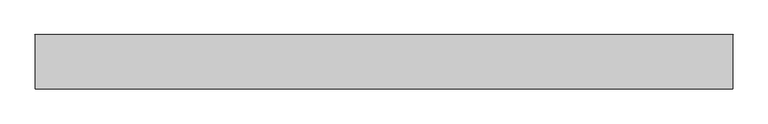
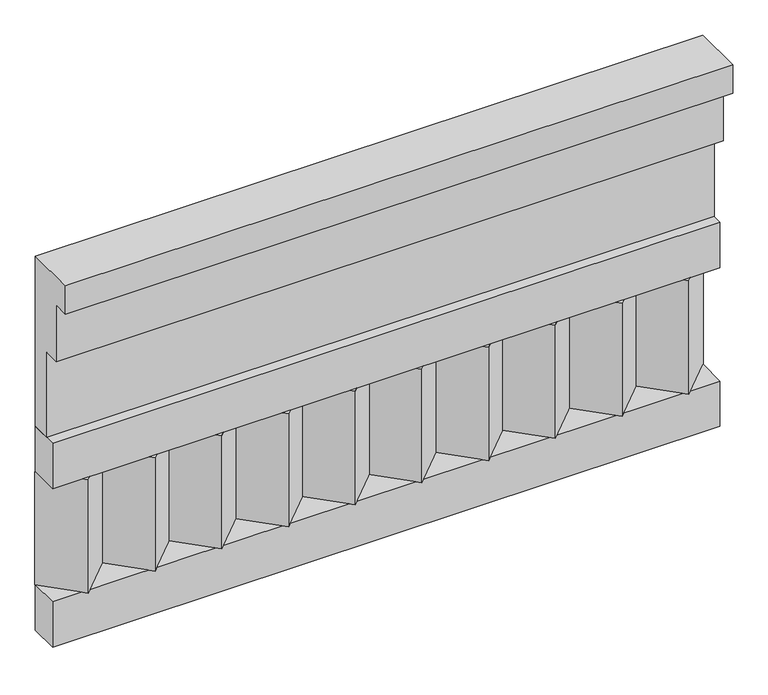
"""IFC4 building model written with IfcOpenShell, lengths in millimetres: railing geometry."""

from ifc_helpers import new_model, si_unit, frame, origin, place, context, project, spatial, polyline, outline, extrude, source, transform, mapped, element, save


def railing_23709b02(model_context):
    return source(origin(), model_context, "Body", "SweptSolid", [
        extrude(outline(polyline([(-16816.8920513, 25100.0), (-16816.8920513, 24650.0), (-16866.8920513, 24650.0), (-16866.8920513, 24875.0), (-16906.8920513, 24875.0), (-16906.8920513, 25025.0), (-16946.8920513, 25025.0), (-16946.8920513, 25100.0), (-16816.8920513, 25100.0)])), frame((-40039.9887159, 0.0, 0.0), z_axis=(1.0, 0.0, 0.0), x_axis=(0.0, 1.0, 0.0)), (0.0, 0.0, 1.0), 1670.0),
        extrude(outline(polyline([(-40039.9887159, -16891.8920513), (-40039.9887159, -16816.8920513), (-38369.9887159, -16816.8920513), (-38369.9887159, -16891.8920513), (-40039.9887159, -16891.8920513)])), frame((0.0, 0.0, 24530.0), z_axis=(0.0, 0.0, 1.0), x_axis=(1.0, 0.0, 0.0)), (0.0, 0.0, 1.0), 120.0),
        extrude(outline(polyline([(-40039.9887159, -16891.8920513), (-40039.9887159, -16816.8920513), (-38369.9887159, -16816.8920513), (-38369.9887159, -16891.8920513), (-40039.9887159, -16891.8920513)])), frame((0.0, 0.0, 24110.0), z_axis=(0.0, 0.0, 1.0), x_axis=(1.0, 0.0, 0.0)), (0.0, 0.0, 1.0), 120.0),
        extrude(outline(polyline([(-38453.4887159, -16901.7448651), (-38538.3415296, -16816.8920513), (-38368.6359022, -16816.8920513), (-38453.4887159, -16901.7448651)])), frame((0.0, 0.0, 24230.0), z_axis=(0.0, 0.0, 1.0), x_axis=(1.0, 0.0, 0.0)), (0.0, 0.0, 1.0), 300.0),
        extrude(outline(polyline([(-38620.4887159, -16901.7448651), (-38705.3415296, -16816.8920513), (-38535.6359022, -16816.8920513), (-38620.4887159, -16901.7448651)])), frame((0.0, 0.0, 24230.0), z_axis=(0.0, 0.0, 1.0), x_axis=(1.0, 0.0, 0.0)), (0.0, 0.0, 1.0), 300.0),
        extrude(outline(polyline([(-38787.4887159, -16901.7448651), (-38872.3415296, -16816.8920513), (-38702.6359022, -16816.8920513), (-38787.4887159, -16901.7448651)])), frame((0.0, 0.0, 24230.0), z_axis=(0.0, 0.0, 1.0), x_axis=(1.0, 0.0, 0.0)), (0.0, 0.0, 1.0), 300.0),
        extrude(outline(polyline([(-38954.4887159, -16901.7448651), (-39039.3415296, -16816.8920513), (-38869.6359022, -16816.8920513), (-38954.4887159, -16901.7448651)])), frame((0.0, 0.0, 24230.0), z_axis=(0.0, 0.0, 1.0), x_axis=(1.0, 0.0, 0.0)), (0.0, 0.0, 1.0), 300.0),
        extrude(outline(polyline([(-39121.4887159, -16901.7448651), (-39206.3415296, -16816.8920513), (-39036.6359022, -16816.8920513), (-39121.4887159, -16901.7448651)])), frame((0.0, 0.0, 24230.0), z_axis=(0.0, 0.0, 1.0), x_axis=(1.0, 0.0, 0.0)), (0.0, 0.0, 1.0), 300.0),
        extrude(outline(polyline([(-39288.4887159, -16901.7448651), (-39373.3415296, -16816.8920513), (-39203.6359022, -16816.8920513), (-39288.4887159, -16901.7448651)])), frame((0.0, 0.0, 24230.0), z_axis=(0.0, 0.0, 1.0), x_axis=(1.0, 0.0, 0.0)), (0.0, 0.0, 1.0), 300.0),
        extrude(outline(polyline([(-39455.4887159, -16901.7448651), (-39540.3415296, -16816.8920513), (-39370.6359022, -16816.8920513), (-39455.4887159, -16901.7448651)])), frame((0.0, 0.0, 24230.0), z_axis=(0.0, 0.0, 1.0), x_axis=(1.0, 0.0, 0.0)), (0.0, 0.0, 1.0), 300.0),
        extrude(outline(polyline([(-39622.4887159, -16901.7448651), (-39707.3415296, -16816.8920513), (-39537.6359022, -16816.8920513), (-39622.4887159, -16901.7448651)])), frame((0.0, 0.0, 24230.0), z_axis=(0.0, 0.0, 1.0), x_axis=(1.0, 0.0, 0.0)), (0.0, 0.0, 1.0), 300.0),
        extrude(outline(polyline([(-39789.4887159, -16901.7448651), (-39874.3415296, -16816.8920513), (-39704.6359022, -16816.8920513), (-39789.4887159, -16901.7448651)])), frame((0.0, 0.0, 24230.0), z_axis=(0.0, 0.0, 1.0), x_axis=(1.0, 0.0, 0.0)), (0.0, 0.0, 1.0), 300.0),
        extrude(outline(polyline([(-39956.4887159, -16901.7448651), (-40041.3415296, -16816.8920513), (-39871.6359022, -16816.8920513), (-39956.4887159, -16901.7448651)])), frame((0.0, 0.0, 24230.0), z_axis=(0.0, 0.0, 1.0), x_axis=(1.0, 0.0, 0.0)), (0.0, 0.0, 1.0), 300.0),
    ])


if __name__ == "__main__":
    model = new_model("IFC4")
    model_context = context("Model", 3, world=origin())
    ifc_project = project(units=[si_unit("LENGTHUNIT", "METRE", prefix="MILLI")], contexts=[model_context])
    site = spatial("IfcSite", under=ifc_project)
    building = spatial("IfcBuilding", under=site)
    placement = place(None, origin())
    railing_shape = railing_23709b02(model_context)
    element("IfcRailing", 1, at=placement, inside=building, context=model_context, shape_type="MappedRepresentation", body=[
        mapped(railing_shape, transform((0.0, 0.0, 0.0), x_axis=(1.0, 0.0, 0.0), y_axis=(0.0, 1.0, 0.0), z_axis=(0.0, 0.0, 1.0))),
    ])
    save(model, "model.ifc")
